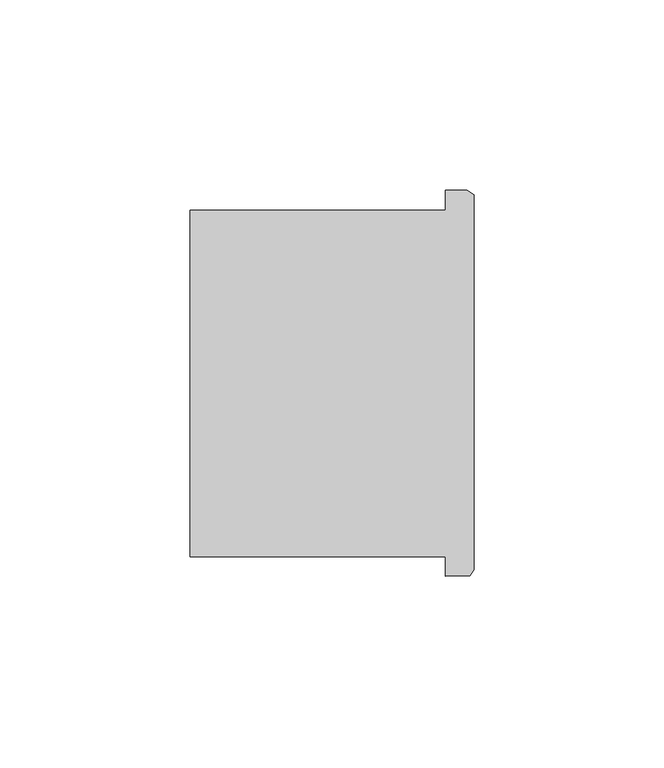
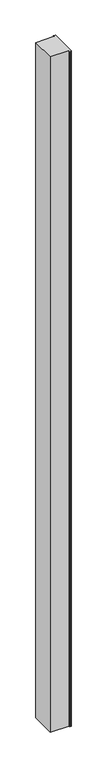
"""IFC4 building model written with IfcOpenShell, lengths in millimetres: column geometry."""

from ifc_helpers import new_model, si_unit, frame, origin, place, context, project, spatial, polyline, outline, extrude, source, transform, mapped, element, save


def column_9084d0f0(model_context):
    return source(origin(), model_context, "Body", "SweptSolid", [
        extrude(outline(polyline([(78054.671297, -40260.0200894), (78054.671297, -40254.9289388), (77987.382379, -40254.9289388), (77987.382379, -40163.7189866), (78054.671297, -40163.7189866), (78054.671297, -40158.4200894), (78060.370168, -40158.4200894), (78062.1436976, -40159.654123), (78062.1436976, -40258.3767856), (78061.058508, -40259.8650732), (78054.671297, -40260.0200894)])), frame((0.0, 0.0, 4419.601524), z_axis=(0.0, 0.0, 1.0), x_axis=(1.0, 0.0, 0.0)), (0.0, 0.0, 1.0), 2590.8000562),
        extrude(outline(polyline([(78054.671297, -40260.0200894), (78054.671297, -40254.9289388), (77987.382379, -40254.9289388), (77987.382379, -40163.7189866), (78054.671297, -40163.7189866), (78054.671297, -40158.4200894), (78060.370168, -40158.4200894), (78062.1436976, -40159.654123), (78062.1436976, -40258.3767856), (78061.058508, -40259.8650732), (78054.671297, -40260.0200894)])), frame((0.0, 0.0, 4419.601524), z_axis=(0.0, 0.0, 1.0), x_axis=(1.0, 0.0, 0.0)), (0.0, 0.0, 1.0), 2590.8000562),
    ])


if __name__ == "__main__":
    model = new_model("IFC4")
    model_context = context("Model", 3, world=origin())
    ifc_project = project(units=[si_unit("LENGTHUNIT", "METRE", prefix="MILLI")], contexts=[model_context])
    site = spatial("IfcSite", under=ifc_project)
    building = spatial("IfcBuilding", under=site)
    placement = place(None, origin())
    column_shape = column_9084d0f0(model_context)
    element("IfcColumn", 1, at=placement, inside=building, context=model_context, shape_type="MappedRepresentation", body=[
        mapped(column_shape, transform((0.0, 0.0, 0.0), x_axis=(1.0, 0.0, 0.0), y_axis=(0.0, 1.0, 0.0), z_axis=(0.0, 0.0, 1.0))),
    ])
    save(model, "model.ifc")
